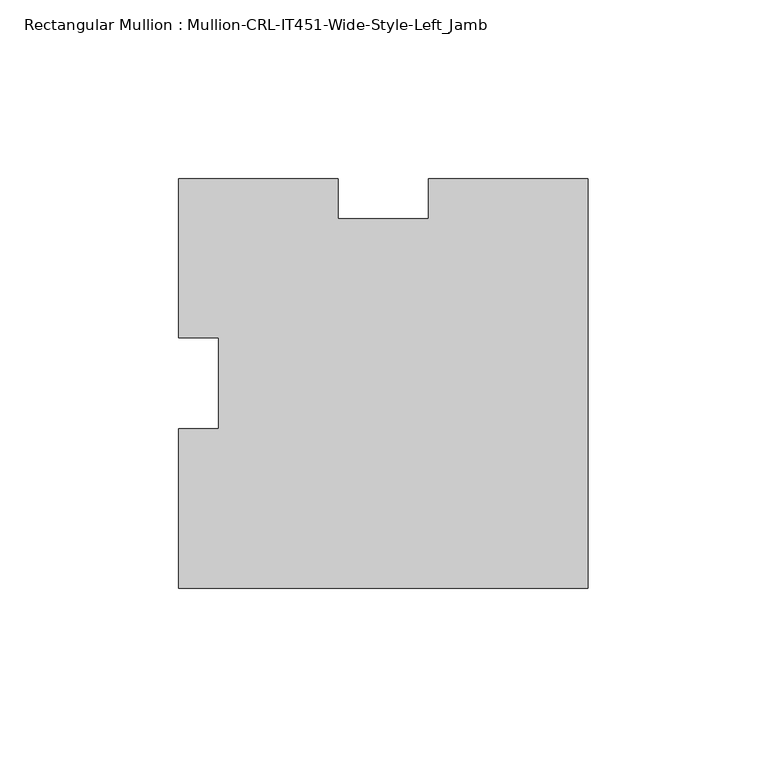
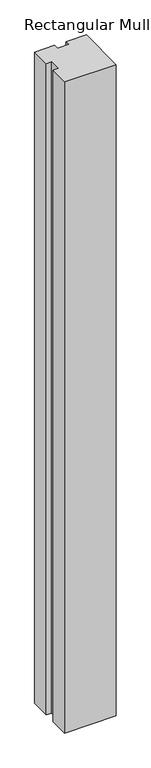
"""IFC4 building model written with IfcOpenShell, lengths in millimetres: member geometry, Rectangular Mullion : Mullion-CRL-IT451-Wide-Style-Left_Jamb."""

from ifc_helpers import new_model, si_unit, frame, origin, place, context, project, spatial, polyline, outline, extrude, source, transform, mapped, element, save


def rectangular_mullion_mullion_crl_it451_wide_style_left_jamb_20f73f39(model_context):
    return source(origin(), model_context, "Body", "SweptSolid", [
        extrude(outline(polyline([(0.0, -57.15), (-114.3000484, -57.15), (-114.3000484, -12.7), (-103.1875484, -12.7), (-103.1875484, 12.7310704), (-114.3000969, 12.7310704), (-114.3000969, 57.15), (-69.8500474, 57.15), (-69.8500474, 46.0375011), (-44.4500474, 46.0375011), (-44.4500474, 57.15), (0.0, 57.15), (0.0, -57.15)])), frame((0.0, 0.0, -1524.0), z_axis=(0.0, 0.0, 1.0), x_axis=(1.0, 0.0, 0.0)), (0.0, 0.0, 1.0), 1524.0),
    ])


if __name__ == "__main__":
    model = new_model("IFC4")
    model_context = context("Model", 3, world=origin())
    ifc_project = project(units=[si_unit("LENGTHUNIT", "METRE", prefix="MILLI")], contexts=[model_context])
    site = spatial("IfcSite", under=ifc_project)
    building = spatial("IfcBuilding", under=site)
    placement = place(None, origin())
    rectangular_mullion_mullion_crl_it451_wide_style_left_jamb_shape = rectangular_mullion_mullion_crl_it451_wide_style_left_jamb_20f73f39(model_context)
    element("IfcMember", 1, ObjectType="Rectangular Mullion : Mullion-CRL-IT451-Wide-Style-Left_Jamb", at=placement, inside=building, context=model_context, shape_type="MappedRepresentation", body=[
        mapped(rectangular_mullion_mullion_crl_it451_wide_style_left_jamb_shape, transform((0.0, 0.0, 0.0), x_axis=(1.0, 0.0, 0.0), y_axis=(0.0, 1.0, 0.0), z_axis=(0.0, 0.0, 1.0))),
    ])
    save(model, "model.ifc")
